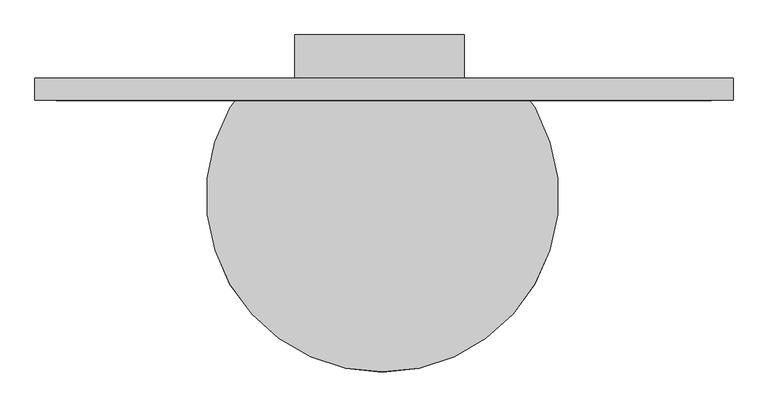
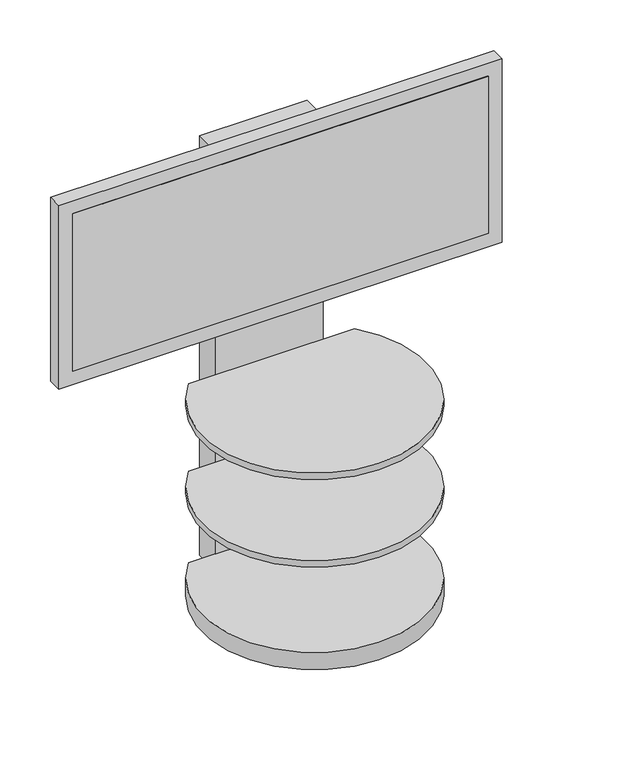
"""IFC4 building model written with IfcOpenShell, lengths in millimetres: proxy geometry."""

from ifc_helpers import new_model, si_unit, point, frame, frame_2d, origin, origin_with_axes, place, context, project, spatial, polyline, circle_curve, trimmed, segment, composite_curve, outline, extrude, source, transform, mapped, element, save


def communication_devices_698de27f(model_context):
    return source(origin(), model_context, "Body", "SweptSolid", [
        extrude(outline(polyline([(-114.6433765, 208.1222548), (-1257.6433765, 208.1222548), (-1257.6433765, 222.25), (-114.6433765, 222.25), (-114.6433765, 208.1222548)])), frame((0.0, 0.0, 751.2712402), z_axis=(0.0, 0.0, 1.0), x_axis=(1.0, 0.0, 0.0)), (0.0, 0.0, 1.0), 457.2),
        extrude(outline(polyline([(-76.0864305, 208.7021062), (-1295.2864305, 208.7021062), (-1295.2864305, 247.65), (-76.0864305, 247.65), (-76.0864305, 208.7021062)])), frame((0.0, 0.0, 711.5366129), z_axis=(0.0, 0.0, 1.0), x_axis=(1.0, 0.0, 0.0)), (0.0, 0.0, 1.0), 533.4),
        extrude(outline(composite_curve([segment(trimmed(circle_curve(frame_2d((-688.3467946, 41.1376202)), 307.4993346), [point((-459.7467946, 246.8021062))], [point((-916.9467946, 246.8021062))], False, "CARTESIAN"), True, "CONTINUOUS"), segment(polyline([(-916.9467946, 246.8021062), (-459.7467946, 246.8021062)]), True, "CONTINUOUS")], self_intersect=False)), frame((0.0, 0.0, 552.45), z_axis=(0.0, 0.0, 1.0), x_axis=(1.0, 0.0, 0.0)), (0.0, 0.0, 1.0), 19.05),
        extrude(outline(composite_curve([segment(trimmed(circle_curve(frame_2d((-688.3467946, 41.1376202)), 307.4993346), [point((-459.7467946, 246.8021062))], [point((-916.9467946, 246.8021062))], False, "CARTESIAN"), True, "CONTINUOUS"), segment(polyline([(-916.9467946, 246.8021062), (-459.7467946, 246.8021062)]), True, "CONTINUOUS")], self_intersect=False)), frame((0.0, 0.0, 298.45), z_axis=(0.0, 0.0, 1.0), x_axis=(1.0, 0.0, 0.0)), (0.0, 0.0, 1.0), 19.05),
        extrude(outline(polyline([(-841.7161982, 246.8021062), (-841.7161982, 323.0021062), (-545.9864305, 323.0021062), (-545.9864305, 246.8021062), (-841.7161982, 246.8021062)])), origin_with_axes(), (0.0, 0.0, 1.0), 1219.2),
        extrude(outline(composite_curve([segment(trimmed(circle_curve(frame_2d((-688.3467946, 41.1376202)), 307.4993346), [point((-459.7467946, 246.8021062))], [point((-916.9467946, 246.8021062))], False, "CARTESIAN"), True, "CONTINUOUS"), segment(polyline([(-916.9467946, 246.8021062), (-459.7467946, 246.8021062)]), True, "CONTINUOUS")], self_intersect=False)), origin_with_axes(), (0.0, 0.0, 1.0), 50.8),
    ])


if __name__ == "__main__":
    model = new_model("IFC4")
    model_context = context("Model", 3, world=origin())
    ifc_project = project(units=[si_unit("LENGTHUNIT", "METRE", prefix="MILLI")], contexts=[model_context])
    site = spatial("IfcSite", under=ifc_project)
    building = spatial("IfcBuilding", under=site)
    placement = place(None, origin())
    communication_devices_shape = communication_devices_698de27f(model_context)
    element("IfcBuildingElementProxy", 1, Name="Communication Devices", at=placement, inside=building, context=model_context, shape_type="MappedRepresentation", body=[
        mapped(communication_devices_shape, transform((0.0, 0.0, 0.0), x_axis=(1.0, 0.0, 0.0), y_axis=(0.0, 1.0, 0.0), z_axis=(0.0, 0.0, 1.0))),
    ])
    save(model, "model.ifc")
